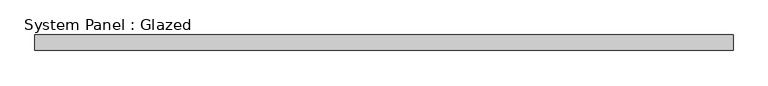
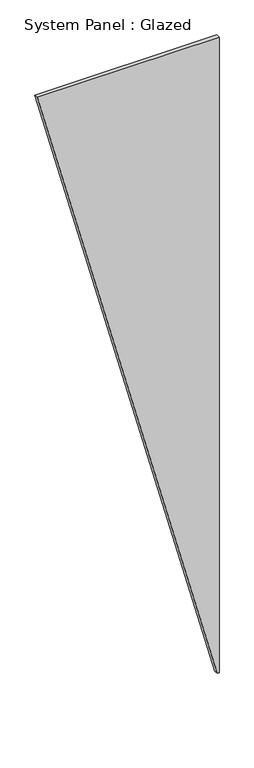
"""IFC4 building model written with IfcOpenShell, lengths in millimetres: plate geometry, System Panel : Glazed."""

from ifc_helpers import new_model, si_unit, frame, origin, place, context, project, spatial, polyline, outline, extrude, source, transform, mapped, element, save


def system_panel_glazed_4f1bd0b6(model_context):
    return source(origin(), model_context, "Body", "SweptSolid", [
        extrude(outline(polyline([(0.0, 553.9454005), (0.0, 564.990312), (4175.9249296, 564.990312), (4175.9249296, -564.990312), (0.0, 553.9454005)])), frame((0.0, -22.5, 0.0), z_axis=(0.0, 1.0, 0.0), x_axis=(0.0, 0.0, 1.0)), (0.0, 0.0, 1.0), 25.0),
    ])


if __name__ == "__main__":
    model = new_model("IFC4")
    model_context = context("Model", 3, world=origin())
    ifc_project = project(units=[si_unit("LENGTHUNIT", "METRE", prefix="MILLI")], contexts=[model_context])
    site = spatial("IfcSite", under=ifc_project)
    building = spatial("IfcBuilding", under=site)
    placement = place(None, origin())
    system_panel_glazed_shape = system_panel_glazed_4f1bd0b6(model_context)
    element("IfcPlate", 1, ObjectType="System Panel : Glazed", at=placement, inside=building, context=model_context, shape_type="MappedRepresentation", body=[
        mapped(system_panel_glazed_shape, transform((0.0, 0.0, 0.0), x_axis=(1.0, 0.0, 0.0), y_axis=(0.0, 1.0, 0.0), z_axis=(0.0, 0.0, 1.0))),
    ])
    save(model, "model.ifc")
